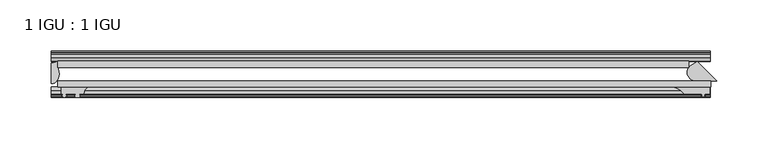
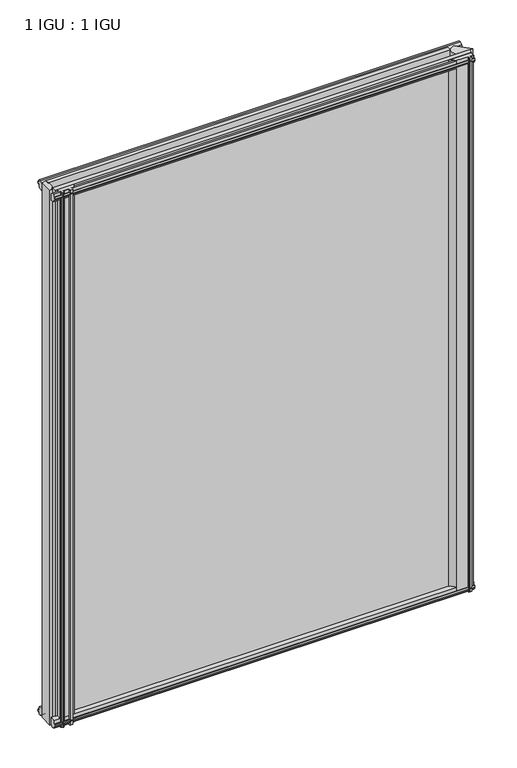
"""IFC4 building model written with IfcOpenShell, lengths in millimetres: plate geometry, 1 IGU : 1 IGU."""

from ifc_helpers import new_model, si_unit, point, frame, frame_2d, origin, place, context, project, spatial, polyline, circle_curve, ellipse_curve, trimmed, segment, composite_curve, outline, extrude, source, transform, mapped, element, save
from ifc_brep_helpers import plane_surface, cylinder_surface, revolved_surface, extruded_surface, advanced_brep


def plate_1_igu_1_igu_ceacd3ea(model_context):
    return source(origin(), model_context, "Body", "SolidModel", [
        extrude(outline(polyline([(-314.3261907, -38.6468937), (321.2715032, -38.6468937), (321.2715032, -44.9460938), (-314.3261907, -44.9460938), (-314.3261907, -38.6468937)])), frame((0.0, 0.0, -12.7), z_axis=(0.0, 0.0, 1.0), x_axis=(1.0, 0.0, 0.0)), (0.0, 0.0, 1.0), 863.5999996),
        extrude(outline(polyline([(-314.3261907, -19.5460937), (299.939472, -19.5460937), (299.939472, -25.8960938), (-314.3261907, -25.8960938), (-314.3261907, -19.5460937)])), frame((0.0, 0.0, -12.7), z_axis=(0.0, 0.0, 1.0), x_axis=(1.0, 0.0, 0.0)), (0.0, 0.0, 1.0), 863.5999996),
        extrude(outline(composite_curve([segment(polyline([(308.3479936, -19.9178967), (327.0769907, -38.6468938), (305.9733448, -38.6468938)]), True, "CONTINUOUS"), segment(trimmed(circle_curve(frame_2d((306.7635261, -30.324123)), 8.3601973), [point((305.9733448, -38.6468938))], [point((300.5961133, -24.6800183))], False, "CARTESIAN"), True, "CONTINUOUS"), segment(polyline([(300.5961133, -24.6800183), (308.3479936, -19.9178967)]), True, "CONTINUOUS")], self_intersect=False)), frame((0.0, 0.0, -12.4587), z_axis=(0.0, 0.0, 1.0), x_axis=(1.0, 0.0, 0.0)), (0.0, 0.0, 1.0), 863.3586996),
        advanced_brep(
        [(-320.6761907, -21.1706006, -12.7), (-314.3275788, -19.5461438, -12.7), (-314.3275788, -25.8549351, -12.7), (-313.1522276, -32.21431, -12.7), (-320.6761907, -41.5384043, -12.7), (-320.6761907, -21.1706006, 850.8999996), (-320.6761907, -41.5384043, 850.8999996), (-313.1522276, -32.21431, 850.8999996), (-314.3275788, -25.8549351, 850.8999996), (-314.3275788, -19.5461438, 850.8999996)],
        [
            (0, 1, circle_curve(frame((-320.6767601, -7.9505008, -12.7), z_axis=(0.0, 0.0, 1.0), x_axis=(1.0, 0.0, 0.0)), 13.2200998)),
            (1, 2),
            (2, 3, circle_curve(frame((-331.2145919, -32.2643264, -12.7), z_axis=(0.0, 0.0, -1.0), x_axis=(1.0, 0.0, 0.0)), 18.0624336)),
            (3, 4, ellipse_curve(frame((-320.6753578, -32.2460921, -12.7), z_axis=(0.0, 0.0, -1.0), x_axis=(0.0, -1.0, 0.0)), 9.2923123, 7.5231742)),
            (4, 0),
            (5, 6),
            (6, 7, ellipse_curve(frame((-320.6753578, -32.2460921, 850.8999996), z_axis=(0.0, 0.0, 1.0), x_axis=(0.0, -1.0, 0.0)), 9.2923123, 7.5231742)),
            (7, 8, circle_curve(frame((-331.2145919, -32.2643264, 850.8999996), z_axis=(0.0, 0.0, 1.0), x_axis=(1.0, 0.0, 0.0)), 18.0624336)),
            (8, 9),
            (9, 5, circle_curve(frame((-320.6767601, -7.9505008, 850.8999996), z_axis=(0.0, 0.0, -1.0), x_axis=(1.0, 0.0, 0.0)), 13.2200998)),
            (0, 5),
            (9, 1),
            (8, 2),
            (7, 3),
            (6, 4),
        ],
        [
            plane_surface(frame((-320.6761907, -13.1960937, -12.7), z_axis=(0.0, 0.0, -1.0), x_axis=(0.0, 1.0, 0.0))),
            plane_surface(frame((-320.6761907, -13.1960937, 850.8999996), z_axis=(0.0, 0.0, 1.0), x_axis=(0.0, 1.0, 0.0))),
            revolved_surface(polyline([(-307.4566603, -7.9505008, 850.8999996), (-307.4566603, -7.9505008, -12.7)]), (-320.6767601, -7.9505008, -12.7), (0.0, 0.0, 1.0)),
            plane_surface(frame((-314.3275788, -19.5461438, -12.7), z_axis=(1.0, 0.0, 0.0), x_axis=(0.0, 0.0, 1.0))),
            cylinder_surface(frame((-331.2145919, -32.2643264, -12.7), z_axis=(0.0, 0.0, -1.0), x_axis=(1.0, 0.0, 0.0)), 18.0624336),
            extruded_surface(trimmed(ellipse_curve(frame((-320.6753578, -32.2460921, 850.8999996), z_axis=(0.0, 0.0, -1.0), x_axis=(0.0, -1.0, 0.0)), 9.2923123, 7.5231742), [point((-313.1522276, -32.21431, 850.8999996))], [point((-320.6761907, -41.5384043, 850.8999996))], True, "CARTESIAN"), (0.0, 0.0, -863.5999996), 863.5999996),
            plane_surface(frame((-320.6761907, -41.5384043, -12.7), z_axis=(-1.0, 0.0, 0.0), x_axis=(0.0, 0.0, 1.0))),
        ],
        [
            (0, [[1, 2, 3, 4, 5]]),
            (1, [[6, 7, 8, 9, 10]]),
            (2, [[-1, 11, -10, 12]]),
            (3, [[-2, -12, -9, 13]]),
            (4, [[-3, -13, -8, 14]]),
            (5, [[-4, -14, -7, 15]]),
            (6, [[-5, -15, -6, -11]]),
        ],
    ),
        extrude(outline(composite_curve([segment(polyline([(320.3668505, -44.9460938), (320.3668505, -51.2960938), (315.2868505, -51.2960938), (314.9693505, -53.4006957), (316.1879564, -53.0741712), (316.3917505, -53.8347412), (314.0168505, -54.4710938), (311.6419505, -53.8347412), (311.8457446, -53.0741712), (313.0643505, -53.4006957), (312.7468505, -51.2960938), (295.3478505, -51.2960938)]), True, "CONTINUOUS"), segment(trimmed(circle_curve(frame_2d((281.8178467, -61.7346627)), 17.0887309), [point((295.3478505, -51.2960938))], [point((285.0066828, -44.9460938))], True, "CARTESIAN"), True, "CONTINUOUS"), segment(polyline([(285.0066828, -44.9460938), (320.3668505, -44.9460938)]), True, "CONTINUOUS")], self_intersect=False)), frame((0.0, 0.0, -11.938), z_axis=(0.0, 0.0, 1.0), x_axis=(1.0, 0.0, 0.0)), (0.0, 0.0, 1.0), 862.5966998),
        extrude(outline(polyline([(-44.9460937, 1.7177181), (-44.9460937, -9.1036578), (-48.3496937, -11.938), (-51.2960937, -11.938), (-51.2960937, -7.493), (-53.6762907, -7.112), (-53.2163575, -8.5275291), (-54.0175717, -8.5275291), (-54.7250937, -6.35), (-54.0175717, -4.1724709), (-53.2163575, -4.1724709), (-53.6762907, -5.588), (-51.2960937, -5.207), (-51.2960937, 0.0), (-44.9460937, 1.7177181)])), frame((-320.6761907, 0.0, 0.0), z_axis=(1.0, 0.0, 0.0), x_axis=(0.0, 1.0, 0.0)), (0.0, 0.0, 1.0), 641.3523814),
        extrude(outline(polyline([(-13.1960937, -12.4587), (-16.1424937, -12.4587), (-19.5460937, -9.6243578), (-19.5460937, 1.1970181), (-13.1960937, -0.5207), (-13.1960937, -5.7277), (-10.8158968, -6.1087), (-11.27583, -4.6931709), (-10.4746158, -4.6931709), (-9.7670937, -6.8707), (-10.4746158, -9.0482291), (-11.27583, -9.0482291), (-10.8158968, -7.6327), (-13.1960937, -8.0137), (-13.1960937, -12.4587)])), frame((-320.6761907, 0.0, 0.0), z_axis=(1.0, 0.0, 0.0), x_axis=(0.0, 1.0, 0.0)), (0.0, 0.0, 1.0), 641.3523814),
        extrude(outline(polyline([(-51.2960937, 850.1379996), (-48.3496937, 850.1379996), (-44.9460937, 847.3036575), (-44.9460937, 836.4822816), (-51.2960937, 838.1999996), (-51.2960937, 843.4069996), (-53.6762907, 843.7879996), (-53.2163575, 842.3724706), (-54.0175717, 842.3724706), (-54.7250937, 844.5499996), (-54.0175717, 846.7275287), (-53.2163575, 846.7275287), (-53.6762907, 845.3119996), (-51.2960937, 845.6929996), (-51.2960937, 850.1379996)])), frame((-320.6761907, 0.0, 0.0), z_axis=(1.0, 0.0, 0.0), x_axis=(0.0, 1.0, 0.0)), (0.0, 0.0, 1.0), 641.3523814),
        extrude(outline(polyline([(-19.5460937, 837.0029816), (-19.5460937, 847.8243575), (-16.1424937, 850.6586996), (-13.1960937, 850.6586996), (-13.1960937, 846.2136996), (-10.8158968, 845.8326996), (-11.27583, 847.2482287), (-10.4746158, 847.2482287), (-9.7670937, 845.0706996), (-10.4746158, 842.8931706), (-11.27583, 842.8931706), (-10.8158968, 844.3086996), (-13.1960937, 843.9276996), (-13.1960937, 838.7206996), (-19.5460937, 837.0029816)])), frame((-320.6761907, 0.0, 0.0), z_axis=(1.0, 0.0, 0.0), x_axis=(0.0, 1.0, 0.0)), (0.0, 0.0, 1.0), 641.3523814),
        extrude(outline(composite_curve([segment(trimmed(circle_curve(frame_2d((-279.9102594, -51.9750196)), 9.0414579), [point((-285.5972763, -44.9460938))], [point((-288.9261909, -51.2960938))], True, "CARTESIAN"), True, "CONTINUOUS"), segment(polyline([(-288.9261909, -51.2960938), (-293.1679909, -51.2960938)]), True, "CONTINUOUS"), segment(trimmed(circle_curve(frame_2d((-293.1679909, -51.7532938)), 0.4572), [point((-293.1679909, -51.2960938))], [point((-293.5068087, -52.0602698))], True, "CARTESIAN"), True, "CONTINUOUS"), segment(trimmed(circle_curve(frame_2d((-295.2761909, -53.663367)), 2.3876), [point((-293.5068087, -52.0602698))], [point((-293.2055479, -54.8520938))], False, "CARTESIAN"), True, "CONTINUOUS"), segment(polyline([(-293.2055479, -54.8520938), (-297.3468339, -54.8520938)]), True, "CONTINUOUS"), segment(trimmed(circle_curve(frame_2d((-295.2761909, -53.663367)), 2.3876), [point((-297.3468339, -54.8520938))], [point((-297.045573, -52.0602698))], False, "CARTESIAN"), True, "CONTINUOUS"), segment(trimmed(circle_curve(frame_2d((-297.3843909, -51.7532938)), 0.4572), [point((-297.045573, -52.0602698))], [point((-297.3843909, -51.2960938))], True, "CARTESIAN"), True, "CONTINUOUS"), segment(polyline([(-297.3843909, -51.2960938), (-306.4521909, -51.2960938), (-306.4521909, -52.9470938), (-305.3745601, -52.9470938)]), True, "CONTINUOUS"), segment(trimmed(circle_curve(frame_2d((-306.4521909, -52.9470938)), 1.0776307), [point((-305.3745601, -52.9470938))], [point((-305.6901909, -53.7090938))], False, "CARTESIAN"), True, "CONTINUOUS"), segment(polyline([(-305.6901909, -53.7090938), (-307.4294833, -54.8194621)]), True, "CONTINUOUS"), segment(trimmed(circle_curve(frame_2d((-307.9761909, -53.9630938)), 1.016), [point((-307.4294833, -54.8194621))], [point((-308.5228985, -54.8194621))], False, "CARTESIAN"), True, "CONTINUOUS"), segment(polyline([(-308.5228985, -54.8194621), (-310.2621909, -53.7090938)]), True, "CONTINUOUS"), segment(trimmed(circle_curve(frame_2d((-309.5001909, -52.9470938)), 1.0776307), [point((-310.2621909, -53.7090938))], [point((-310.5778216, -52.9470938))], False, "CARTESIAN"), True, "CONTINUOUS"), segment(polyline([(-310.5778216, -52.9470938), (-309.5001909, -52.9470938), (-309.5001909, -51.2960938), (-311.1511909, -51.2960938), (-311.1511909, -44.9460938), (-285.5972763, -44.9460938)]), True, "CONTINUOUS")], self_intersect=False)), frame((0.0, 0.0, -12.7), z_axis=(0.0, 0.0, 1.0), x_axis=(1.0, 0.0, 0.0)), (0.0, 0.0, 1.0), 863.5999998),
    ])


if __name__ == "__main__":
    model = new_model("IFC4")
    model_context = context("Model", 3, world=origin())
    ifc_project = project(units=[si_unit("LENGTHUNIT", "METRE", prefix="MILLI")], contexts=[model_context])
    site = spatial("IfcSite", under=ifc_project)
    building = spatial("IfcBuilding", under=site)
    placement = place(None, origin())
    plate_1_igu_1_igu_shape = plate_1_igu_1_igu_ceacd3ea(model_context)
    element("IfcPlate", 1, ObjectType="1 IGU : 1 IGU", at=placement, inside=building, context=model_context, shape_type="MappedRepresentation", body=[
        mapped(plate_1_igu_1_igu_shape, transform((0.0, 0.0, 0.0), x_axis=(1.0, 0.0, 0.0), y_axis=(0.0, 1.0, 0.0), z_axis=(0.0, 0.0, 1.0))),
    ])
    save(model, "model.ifc")
